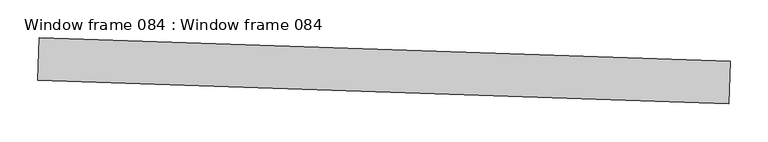
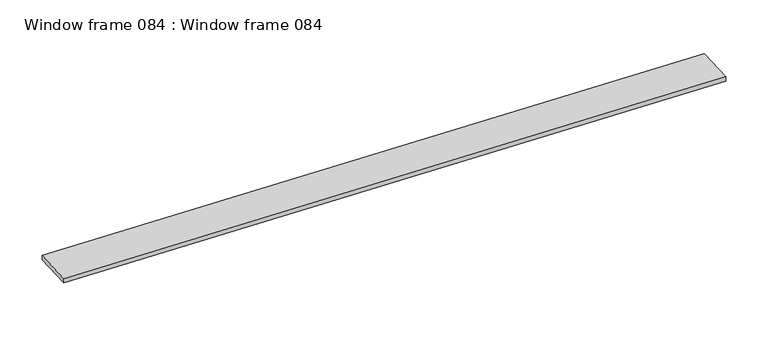
"""IFC4 building model written with IfcOpenShell, lengths in millimetres: proxy geometry, Window frame 084 : Window frame 084."""

from ifc_helpers import new_model, si_unit, frame, origin, place, context, project, spatial, polyline, outline, extrude, source, transform, mapped, element, save


def window_frame_084_window_frame_084_b77e4909(model_context):
    return source(origin(), model_context, "Body", "SweptSolid", [
        extrude(outline(polyline([(33436.8233353, -15552.7845538), (33438.7387895, -15496.8128066), (34352.6038178, -15528.0869159), (34350.6883637, -15584.0586631), (33436.8233353, -15552.7845538)])), frame((0.0, 0.0, 1069.1211428), z_axis=(0.0, 0.0, 1.0), x_axis=(1.0, 0.0, 0.0)), (0.0, 0.0, 1.0), 6.3373),
    ])


if __name__ == "__main__":
    model = new_model("IFC4")
    model_context = context("Model", 3, world=origin())
    ifc_project = project(units=[si_unit("LENGTHUNIT", "METRE", prefix="MILLI")], contexts=[model_context])
    site = spatial("IfcSite", under=ifc_project)
    building = spatial("IfcBuilding", under=site)
    placement = place(None, origin())
    window_frame_084_window_frame_084_shape = window_frame_084_window_frame_084_b77e4909(model_context)
    element("IfcBuildingElementProxy", 1, Name="Window frame 084 : Window frame 084", ObjectType="Window frame 084 : Window frame 084", at=placement, inside=building, context=model_context, shape_type="MappedRepresentation", body=[
        mapped(window_frame_084_window_frame_084_shape, transform((0.0, 0.0, 0.0), x_axis=(1.0, 0.0, 0.0), y_axis=(0.0, 1.0, 0.0), z_axis=(0.0, 0.0, 1.0))),
    ])
    save(model, "model.ifc")
